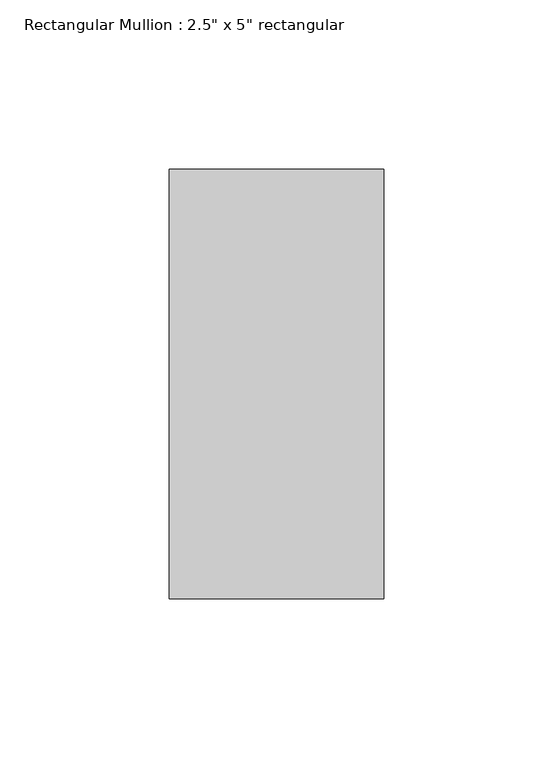
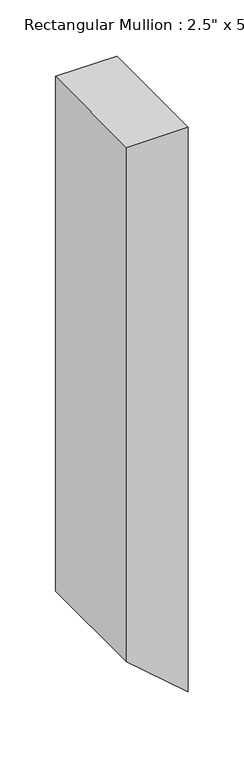
"""IFC4 building model written with IfcOpenShell, lengths in millimetres: member geometry."""

import ifcopenshell
import ifcopenshell.guid

model = None  # the IFC model being written
_history = None  # IfcOwnerHistory: only IFC2X3 demands one
_inside = {}  # id of a spatial element -> (the spatial element, [elements in it])
_under = {}  # id of a project, library or spatial element -> (it, [spatial elements below it])
_declared = {}  # id of a project -> (the project, [libraries it declares])
_typed = {}  # id of a type object -> (the type object, [elements of that type])
_made_of = {}  # id of a material, layer set ... -> (it, [elements and type objects made of it])


def new_model(schema):
    """Start an empty IFC model of exactly this schema.

    Asked for "IFC4X3", IfcOpenShell would pick the latest addendum, in which some entities
    have other attributes; the version numbers below select the first issue.
    IFC2X3 requires an IfcOwnerHistory on every rooted entity: one is made here for all.
    """
    global model, _history
    if schema == "IFC4X3":
        model = ifcopenshell.file(schema_version=(4, 3, 0, 0))
    else:
        model = ifcopenshell.file(schema=schema)
    _inside.clear()
    _under.clear()
    _declared.clear()
    _typed.clear()
    _made_of.clear()
    _history = None
    if model.schema == "IFC2X3":
        org = make("IfcOrganization", Name="unknown")
        user = make(
            "IfcPersonAndOrganization",
            ThePerson=make("IfcPerson", FamilyName="unknown"),
            TheOrganization=org,
        )
        app = make(
            "IfcApplication",
            ApplicationDeveloper=org,
            Version="unknown",
            ApplicationFullName="unknown",
            ApplicationIdentifier="unknown",
        )
        _history = make(
            "IfcOwnerHistory",
            OwningUser=user,
            OwningApplication=app,
            ChangeAction="ADDED",
            CreationDate=0,
        )
    return model


def make(cls, **values):
    """One entity of the class cls with the attributes given. An attribute that is None is left unset."""
    return model.create_entity(
        cls, **{name: value for name, value in values.items() if value is not None}
    )


def rooted(cls, **values):
    """An entity with a GlobalId (a new one), such as an element, a storey or a relation."""
    return make(cls, GlobalId=ifcopenshell.guid.new(), OwnerHistory=_history, **values)


def si_unit(unit_type, name, prefix=None):
    """IfcSIUnit, for example si_unit("LENGTHUNIT", "METRE", prefix="MILLI")."""
    return make("IfcSIUnit", UnitType=unit_type, Prefix=prefix, Name=name)


def assignment(units):
    """IfcUnitAssignment: the units of a project."""
    return None if units is None else make("IfcUnitAssignment", Units=units)


def point(xyz):
    """IfcCartesianPoint."""
    return None if xyz is None else make("IfcCartesianPoint", Coordinates=xyz)


def direction(xyz):
    """IfcDirection."""
    return None if xyz is None else make("IfcDirection", DirectionRatios=xyz)


def frame(location, z_axis=None, x_axis=None):
    """IfcAxis2Placement3D, a coordinate frame: its origin and axes. An axis left out is left unset."""
    return make(
        "IfcAxis2Placement3D",
        Location=point(location),
        Axis=direction(z_axis),
        RefDirection=direction(x_axis),
    )


def origin():
    """The frame at (0, 0, 0) with its axes left unset."""
    return frame((0.0, 0.0, 0.0))


def place(relative_to, where):
    """IfcLocalPlacement: puts the frame where relative to a parent placement (None: the world)."""
    return make(
        "IfcLocalPlacement", PlacementRelTo=relative_to, RelativePlacement=where
    )


def context(
    kind, dimensions, precision=None, world=None, true_north=None, identifier=None
):
    """IfcGeometricRepresentationContext, for example the 3D "Model" context."""
    return make(
        "IfcGeometricRepresentationContext",
        ContextIdentifier=identifier,
        ContextType=kind,
        CoordinateSpaceDimension=dimensions,
        Precision=precision,
        WorldCoordinateSystem=world,
        TrueNorth=true_north,
    )


def project(units=None, contexts=None):
    """IfcProject with its units and contexts."""
    return rooted(
        "IfcProject",
        Name="project",
        RepresentationContexts=contexts,
        UnitsInContext=assignment(units),
    )


def spatial(cls, under=None, at=None, **own):
    """A site, building, storey or space (cls), placed at a placement, below another one or the project."""
    s = rooted(cls, ObjectPlacement=at, **own)
    if under is not None:
        _under.setdefault(under.id(), (under, []))[1].append(s)
    return s


def faces_of(points, faces, orient=None, outer=None):
    """IfcFace entities. A face is a list of loops; a loop is a list of indices into points, from 0.

    orient and outer hold one flag for each loop. By default every Orientation is true, the
    first loop of a face is its IfcFaceOuterBound and the others are IfcFaceBound.
    """
    made = []
    for i, loops in enumerate(faces):
        bounds = []
        for j, loop in enumerate(loops):
            is_outer = j == 0 if outer is None else outer[i][j]
            bounds.append(
                make(
                    "IfcFaceOuterBound" if is_outer else "IfcFaceBound",
                    Bound=make("IfcPolyLoop", Polygon=[points[k] for k in loop]),
                    Orientation=True if orient is None else orient[i][j],
                )
            )
        made.append(make("IfcFace", Bounds=bounds))
    return made


def faceted_brep(points, faces, orient=None, outer=None, voids=None):
    """IfcFacetedBrep: a solid bounded by flat faces; with voids (closed shells), ...WithVoids."""
    shared = [point(p) for p in points]
    hull = make("IfcClosedShell", CfsFaces=faces_of(shared, faces, orient, outer))
    if voids is None:
        return make("IfcFacetedBrep", Outer=hull)
    return make(
        "IfcFacetedBrepWithVoids",
        Outer=hull,
        Voids=[
            make(cls, CfsFaces=faces_of(shared, fs, o, b)) for cls, fs, o, b in voids
        ],
    )


def shape(context_of_items, identifier, shape_type, items):
    """IfcShapeRepresentation: the items that make up one representation, for example the "Body"."""
    return make(
        "IfcShapeRepresentation",
        ContextOfItems=context_of_items,
        RepresentationIdentifier=identifier,
        RepresentationType=shape_type,
        Items=items,
    )


def source(mapping_origin, context_of_items, identifier, shape_type, items):
    """IfcRepresentationMap: a shape defined once, which mapped items show again and again."""
    return make(
        "IfcRepresentationMap",
        MappingOrigin=mapping_origin,
        MappedRepresentation=shape(context_of_items, identifier, shape_type, items),
    )


def transform(
    local_origin,
    x_axis=None,
    y_axis=None,
    z_axis=None,
    scale=None,
    scale2=None,
    scale3=None,
    uniform=True,
):
    """IfcCartesianTransformationOperator3D, or its non-uniform kind. x_axis, y_axis, z_axis: its Axis1, 2, 3."""
    if uniform:
        return make(
            "IfcCartesianTransformationOperator3D",
            Axis1=direction(x_axis),
            Axis2=direction(y_axis),
            LocalOrigin=point(local_origin),
            Scale=scale,
            Axis3=direction(z_axis),
        )
    return make(
        "IfcCartesianTransformationOperator3DnonUniform",
        Axis1=direction(x_axis),
        Axis2=direction(y_axis),
        LocalOrigin=point(local_origin),
        Scale=scale,
        Axis3=direction(z_axis),
        Scale2=scale2,
        Scale3=scale3,
    )


def mapped(mapping_source, mapping_target):
    """IfcMappedItem: shows the shape of a source again, moved by a transform."""
    return make(
        "IfcMappedItem", MappingSource=mapping_source, MappingTarget=mapping_target
    )


def made_of(thing, what):
    """Note that an element or type object is made of a material, layer set ...; save() writes the relation."""
    if what is not None:
        _made_of.setdefault(what.id(), (what, []))[1].append(thing)
    return thing


def element(
    cls,
    number,
    at=None,
    inside=None,
    cuts=None,
    type_object=None,
    material=None,
    context=None,
    identifier="Body",
    shape_type=None,
    held_by="IfcProductDefinitionShape",
    body=None,
    shapes=None,
    **own,
):
    """One element of the class cls, such as IfcWall. Its Tag is "e" and its number.

    at: its placement. inside: the storey or other place that contains it. cuts: it is an
    opening in that element (IfcRelVoidsElement). A single representation is given by context,
    identifier, shape_type and body (its items); several are given by shapes. held_by: the class
    of the entity that holds the representations. save() writes the other relations.
    """
    e = rooted(cls, Tag="e%d" % number, ObjectPlacement=at, **own)
    if body is not None:
        shapes = [shape(context, identifier, shape_type, body)]
    if shapes is not None:
        e.Representation = make(held_by, Representations=shapes)
    if inside is not None:
        _inside.setdefault(inside.id(), (inside, []))[1].append(e)
    if cuts is not None:
        rooted(
            "IfcRelVoidsElement", RelatingBuildingElement=cuts, RelatedOpeningElement=e
        )
    if type_object is not None:
        _typed.setdefault(type_object.id(), (type_object, []))[1].append(e)
    return made_of(e, material)


def aggregate(whole, parts):
    """IfcRelAggregates: a whole, such as a stair, and the parts it consists of."""
    return rooted("IfcRelAggregates", RelatingObject=whole, RelatedObjects=parts)


def save(model, path):
    """Write the relations noted so far, then the file.

    IfcRelAggregates (storeys below a building ...), IfcRelContainedInSpatialStructure (elements
    in a storey), IfcRelDefinesByType, IfcRelAssociatesMaterial and IfcRelDeclares: one each for
    every whole, place, type object, material and project.
    """
    for whole, parts in _under.values():
        aggregate(whole, parts)
    for where, things in _inside.values():
        rooted(
            "IfcRelContainedInSpatialStructure",
            RelatedElements=things,
            RelatingStructure=where,
        )
    for kind, things in _typed.values():
        rooted("IfcRelDefinesByType", RelatedObjects=things, RelatingType=kind)
    for what, things in _made_of.values():
        rooted("IfcRelAssociatesMaterial", RelatedObjects=things, RelatingMaterial=what)
    for by, libraries in _declared.values():
        rooted("IfcRelDeclares", RelatingContext=by, RelatedDefinitions=libraries)
    model.write(path)


def member_3e19cb50(model_context):
    return source(origin(), model_context, "Body", "Brep", [
        faceted_brep([(-63.5, 63.5, 0.4543904), (0.0, 63.5, 0.3853052), (0.0, 63.5, -616.2698584), (-63.5, 63.5, -561.4941477), (-63.5, -63.5, -0.3162199), (-63.5, -63.5, -561.4941477), (0.0, -63.5, -0.3853052), (0.0, -63.5, -616.2698584)], [[[0, 1, 2, 3]], [[4, 0, 3, 5]], [[6, 4, 5, 7]], [[1, 6, 7, 2]], [[1, 0, 4, 6]], [[2, 7, 5, 3]]]),
    ])


if __name__ == "__main__":
    model = new_model("IFC4")
    model_context = context("Model", 3, world=origin())
    ifc_project = project(units=[si_unit("LENGTHUNIT", "METRE", prefix="MILLI")], contexts=[model_context])
    site = spatial("IfcSite", under=ifc_project)
    building = spatial("IfcBuilding", under=site)
    placement = place(None, origin())
    member_shape = member_3e19cb50(model_context)
    element("IfcMember", 1, ObjectType="Rectangular Mullion : 2.5\" x 5\" rectangular", at=placement, inside=building, context=model_context, shape_type="MappedRepresentation", body=[
        mapped(member_shape, transform((0.0, 0.0, 0.0), x_axis=(1.0, 0.0, 0.0), y_axis=(0.0, 1.0, 0.0), z_axis=(0.0, 0.0, 1.0))),
    ])
    save(model, "model.ifc")
